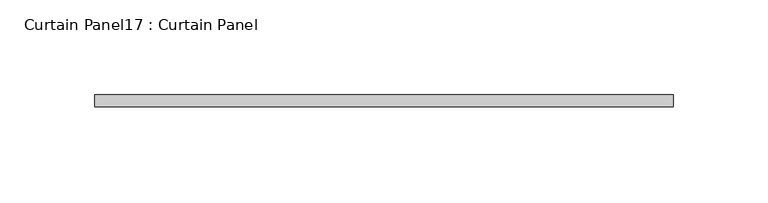
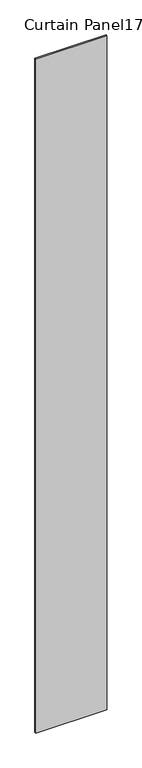
"""IFC4 building model written with IfcOpenShell, lengths in millimetres: plate geometry, Curtain Panel17 : Curtain Panel."""

from ifc_helpers import new_model, si_unit, origin, origin_with_axes, place, context, project, spatial, polyline, outline, extrude, source, transform, mapped, element, save


def curtain_panel17_curtain_panel_149df79b(model_context):
    return source(origin(), model_context, "Body", "SweptSolid", [
        extrude(outline(polyline([(200830.5691439, 2260.4199124), (200525.7691439, 2260.4199124), (200525.7691439, 2266.7699124), (200830.5691439, 2266.7699124), (200830.5691439, 2260.4199124)])), origin_with_axes(), (0.0, 0.0, 1.0), 3048.0),
    ])


if __name__ == "__main__":
    model = new_model("IFC4")
    model_context = context("Model", 3, world=origin())
    ifc_project = project(units=[si_unit("LENGTHUNIT", "METRE", prefix="MILLI")], contexts=[model_context])
    site = spatial("IfcSite", under=ifc_project)
    building = spatial("IfcBuilding", under=site)
    placement = place(None, origin())
    curtain_panel17_curtain_panel_shape = curtain_panel17_curtain_panel_149df79b(model_context)
    element("IfcPlate", 1, ObjectType="Curtain Panel17 : Curtain Panel", at=placement, inside=building, context=model_context, shape_type="MappedRepresentation", body=[
        mapped(curtain_panel17_curtain_panel_shape, transform((0.0, 0.0, 0.0), x_axis=(1.0, 0.0, 0.0), y_axis=(0.0, 1.0, 0.0), z_axis=(0.0, 0.0, 1.0))),
    ])
    save(model, "model.ifc")
